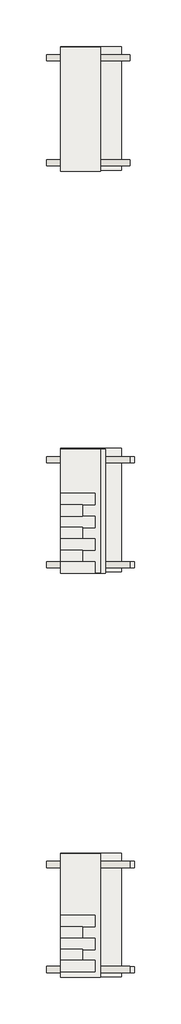
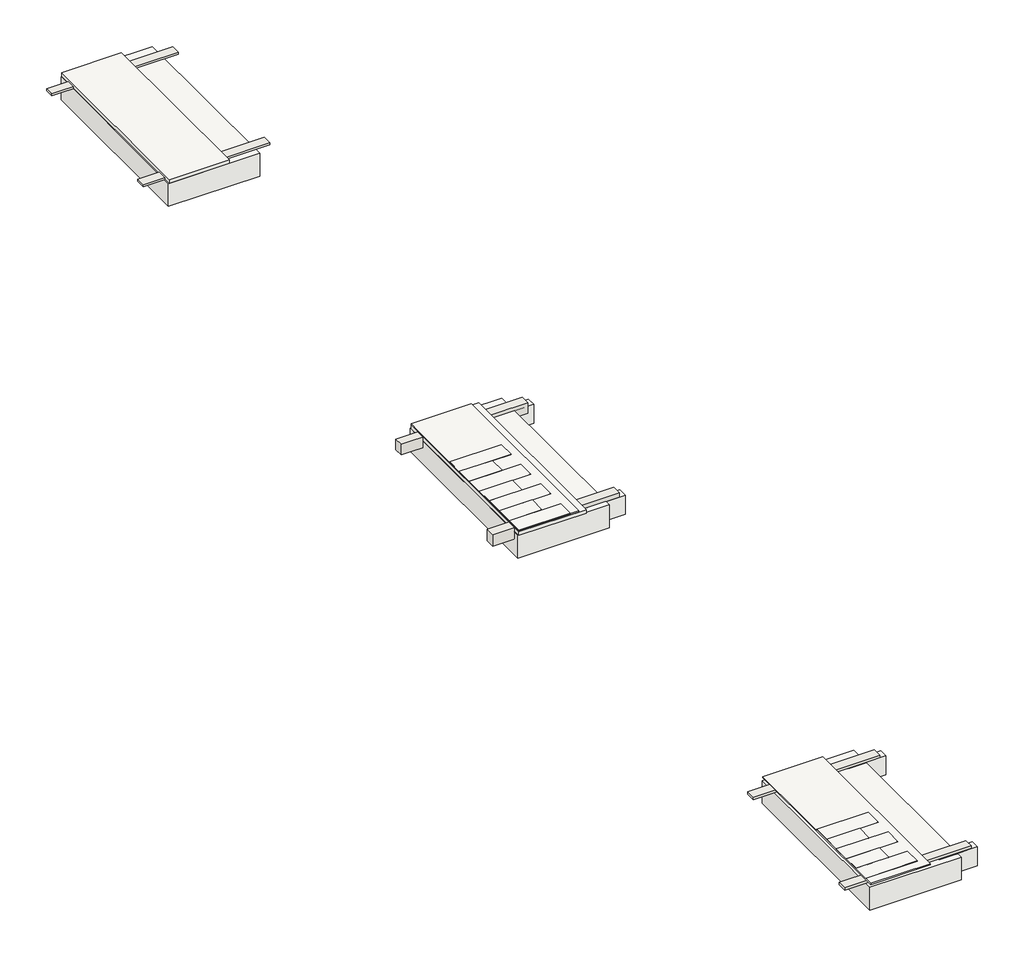
# One storey: 19 slabs, 6 walls, 4 coverings.
"""IFC4 building model written with IfcOpenShell, lengths in millimetres."""

from ifc_helpers import new_model, si_unit, frame, origin, place, context, project, spatial, polyline, outline, extrude, element, save

model = new_model("IFC4")

# Units and contexts
model_context = context("Model", 3, world=origin())
ifc_project = project(units=[si_unit("LENGTHUNIT", "METRE", prefix="MILLI")], contexts=[model_context])

# Site, building, storey
site = spatial("IfcSite", under=ifc_project)
building = spatial("IfcBuilding", under=site)
storey = spatial("IfcBuildingStorey", under=building, Elevation=0.0)

# Coverings
placement = place(None, origin())
element("IfcCovering", 1, at=placement, inside=storey, context=model_context, shape_type="SweptSolid", body=[
    extrude(outline(polyline([(-21506.7749546, -1147.4236855), (-22406.7749546, -1147.4236855), (-22406.7749546, 1657.3048176), (-21506.7749546, 1657.3048176), (-21506.7749546, -1147.4236855)])), frame((0.0, 0.0, 840.0), z_axis=(0.0, 0.0, 1.0), x_axis=(1.0, 0.0, 0.0)), (0.0, 0.0, 1.0), 57.0),
])
element("IfcCovering", 2, at=placement, inside=storey, context=model_context, shape_type="SweptSolid", body=[
    extrude(outline(polyline([(-21506.7749546, -10253.8565694), (-22406.7749546, -10253.8565694), (-22406.7749546, -7449.1280663), (-21506.7749546, -7449.1280663), (-21506.7749546, -10253.8565694)])), frame((0.0, 0.0, 816.7773467), z_axis=(0.0, 0.0, 1.0), x_axis=(1.0, 0.0, 0.0)), (0.0, 0.0, 1.0), 19.0),
])
element("IfcCovering", 3, at=placement, inside=storey, context=model_context, shape_type="SweptSolid", body=[
    extrude(outline(polyline([(-21506.7749546, -19416.693386), (-22406.7749546, -19416.693386), (-22406.7749546, -16611.964883), (-21506.7749546, -16611.964883), (-21506.7749546, -19416.693386)])), frame((0.0, 0.0, 763.0953295), z_axis=(0.0, 0.0, 1.0), x_axis=(1.0, 0.0, 0.0)), (0.0, 0.0, 1.0), 19.0),
])
element("IfcCovering", 4, at=placement, inside=storey, context=model_context, shape_type="SweptSolid", body=[
    extrude(outline(polyline([(-21391.6219224, -10254.9697708), (-22406.7749546, -10254.9697708), (-22406.7749546, -7450.2412677), (-21391.6219224, -7450.2412677), (-21391.6219224, -10254.9697708)])), frame((0.0, 0.0, 760.0), z_axis=(0.0, 0.0, 1.0), x_axis=(1.0, 0.0, 0.0)), (0.0, 0.0, 1.0), 57.0),
])

# Slabs
element("IfcSlab", 5, at=placement, inside=storey, context=model_context, shape_type="SweptSolid", body=[
    extrude(outline(polyline([(-21031.6219224, 1672.338655), (-21031.6219224, -1127.661345), (-22406.7749546, -1127.661345), (-22406.7749546, 1672.338655), (-21031.6219224, 1672.338655)])), frame((0.0, 0.0, 458.0), z_axis=(0.0, 0.0, 1.0), x_axis=(1.0, 0.0, 0.0)), (0.0, 0.0, 1.0), 362.0),
])
element("IfcSlab", 6, at=placement, inside=storey, context=model_context, shape_type="SweptSolid", body=[
    extrude(outline(polyline([(-21031.6219224, -7429.4968101), (-21031.6219224, -10229.4968101), (-22406.7749546, -10229.4968101), (-22406.7749546, -7429.4968101), (-21031.6219224, -7429.4968101)])), frame((0.0, 0.0, 386.4168615), z_axis=(0.0, 0.0, 1.0), x_axis=(1.0, 0.0, 0.0)), (0.0, 0.0, 1.0), 362.0),
])
element("IfcSlab", 7, at=placement, inside=storey, context=model_context, shape_type="SweptSolid", body=[
    extrude(outline(polyline([(-21631.6219224, -9998.2308192), (-21631.6219224, -10256.0447777), (-22406.7749546, -10256.0447777), (-22406.7749546, -9998.2308192), (-21631.6219224, -9998.2308192)])), frame((0.0, 0.0, 838.0), z_axis=(0.0, 0.0, 1.0), x_axis=(1.0, 0.0, 0.0)), (0.0, 0.0, 1.0), 2.0),
])
element("IfcSlab", 8, at=placement, inside=storey, context=model_context, shape_type="SweptSolid", body=[
    extrude(outline(polyline([(-20738.3478009, -7615.5337669), (-20738.3478009, -7755.5337669), (-21313.5008331, -7755.5337669), (-21313.5008331, -7615.5337669), (-20738.3478009, -7615.5337669)])), frame((0.0, 0.0, 445.0), z_axis=(0.0, 0.0, 1.0), x_axis=(1.0, 0.0, 0.0)), (0.0, 0.0, 1.0), 300.0),
])
element("IfcSlab", 9, at=placement, inside=storey, context=model_context, shape_type="SweptSolid", body=[
    extrude(outline(polyline([(-20738.3478009, -9996.1467846), (-20738.3478009, -10136.1467846), (-21313.5008331, -10136.1467846), (-21313.5008331, -9996.1467846), (-20738.3478009, -9996.1467846)])), frame((0.0, 0.0, 445.0), z_axis=(0.0, 0.0, 1.0), x_axis=(1.0, 0.0, 0.0)), (0.0, 0.0, 1.0), 300.0),
])
element("IfcSlab", 10, at=placement, inside=storey, context=model_context, shape_type="SweptSolid", body=[
    extrude(outline(polyline([(-21911.6219224, -9741.3168858), (-21911.6219224, -9999.1308444), (-22406.7749546, -9999.1308444), (-22406.7749546, -9741.3168858), (-21911.6219224, -9741.3168858)])), frame((0.0, 0.0, 838.0), z_axis=(0.0, 0.0, 1.0), x_axis=(1.0, 0.0, 0.0)), (0.0, 0.0, 1.0), 2.0),
])
element("IfcSlab", 11, at=placement, inside=storey, context=model_context, shape_type="SweptSolid", body=[
    extrude(outline(polyline([(-21631.6219224, -9481.2819578), (-21631.6219224, -9739.0959164), (-22406.7749546, -9739.0959164), (-22406.7749546, -9481.2819578), (-21631.6219224, -9481.2819578)])), frame((0.0, 0.0, 838.0), z_axis=(0.0, 0.0, 1.0), x_axis=(1.0, 0.0, 0.0)), (0.0, 0.0, 1.0), 2.0),
])
element("IfcSlab", 12, at=placement, inside=storey, context=model_context, shape_type="SweptSolid", body=[
    extrude(outline(polyline([(-21911.6219224, -9222.4338776), (-21911.6219224, -9480.2478362), (-22406.7749546, -9480.2478362), (-22406.7749546, -9222.4338776), (-21911.6219224, -9222.4338776)])), frame((0.0, 0.0, 837.7215622), z_axis=(0.0, 0.0, 1.0), x_axis=(1.0, 0.0, 0.0)), (0.0, 0.0, 1.0), 2.0),
])
element("IfcSlab", 13, at=placement, inside=storey, context=model_context, shape_type="SweptSolid", body=[
    extrude(outline(polyline([(-21631.6219224, -8965.9999577), (-21631.6219224, -9223.8139162), (-22406.7749546, -9223.8139162), (-22406.7749546, -8965.9999577), (-21631.6219224, -8965.9999577)])), frame((0.0, 0.0, 837.0315429), z_axis=(0.0, 0.0, 1.0), x_axis=(1.0, 0.0, 0.0)), (0.0, 0.0, 1.0), 2.0),
])
element("IfcSlab", 14, at=placement, inside=storey, context=model_context, shape_type="SweptSolid", body=[
    extrude(outline(polyline([(-21031.6219224, -16599.7423431), (-21031.6219224, -19399.7423431), (-22406.7749546, -19399.7423431), (-22406.7749546, -16599.7423431), (-21031.6219224, -16599.7423431)])), frame((0.0, 0.0, 348.7234945), z_axis=(0.0, 0.0, 1.0), x_axis=(1.0, 0.0, 0.0)), (0.0, 0.0, 1.0), 362.0),
])
element("IfcSlab", 15, at=placement, inside=storey, context=model_context, shape_type="SweptSolid", body=[
    extrude(outline(polyline([(-21631.6219224, -19032.5537539), (-21631.6219224, -19290.3677124), (-22406.7749546, -19290.3677124), (-22406.7749546, -19032.5537539), (-21631.6219224, -19032.5537539)])), frame((0.0, 0.0, 790.4818664), z_axis=(0.0, 0.0, 1.0), x_axis=(1.0, 0.0, 0.0)), (0.0, 0.0, 1.0), 2.0),
])
element("IfcSlab", 16, at=placement, inside=storey, context=model_context, shape_type="SweptSolid", body=[
    extrude(outline(polyline([(-20738.3478009, -16786.6869519), (-20738.3478009, -16926.6869519), (-21313.5008331, -16926.6869519), (-21313.5008331, -16786.6869519), (-20738.3478009, -16786.6869519)])), frame((0.0, 0.0, 415.7234945), z_axis=(0.0, 0.0, 1.0), x_axis=(1.0, 0.0, 0.0)), (0.0, 0.0, 1.0), 300.0),
])
element("IfcSlab", 17, at=placement, inside=storey, context=model_context, shape_type="SweptSolid", body=[
    extrude(outline(polyline([(-20738.3478009, -19170.7762766), (-20738.3478009, -19310.7762766), (-21313.5008331, -19310.7762766), (-21313.5008331, -19170.7762766), (-20738.3478009, -19170.7762766)])), frame((0.0, 0.0, 415.7234945), z_axis=(0.0, 0.0, 1.0), x_axis=(1.0, 0.0, 0.0)), (0.0, 0.0, 1.0), 300.0),
])
element("IfcSlab", 18, at=placement, inside=storey, context=model_context, shape_type="SweptSolid", body=[
    extrude(outline(polyline([(-21911.6219224, -18781.7185777), (-21911.6219224, -19039.5325363), (-22406.7749546, -19039.5325363), (-22406.7749546, -18781.7185777), (-21911.6219224, -18781.7185777)])), frame((0.0, 0.0, 790.4818664), z_axis=(0.0, 0.0, 1.0), x_axis=(1.0, 0.0, 0.0)), (0.0, 0.0, 1.0), 2.0),
])
element("IfcSlab", 19, at=placement, inside=storey, context=model_context, shape_type="SweptSolid", body=[
    extrude(outline(polyline([(-21631.6219224, -18528.0918886), (-21631.6219224, -18785.9058472), (-22406.7749546, -18785.9058472), (-22406.7749546, -18528.0918886), (-21631.6219224, -18528.0918886)])), frame((0.0, 0.0, 790.4818664), z_axis=(0.0, 0.0, 1.0), x_axis=(1.0, 0.0, 0.0)), (0.0, 0.0, 1.0), 2.0),
])
element("IfcSlab", 20, at=placement, inside=storey, context=model_context, shape_type="SweptSolid", body=[
    extrude(outline(polyline([(-21911.6219224, -18271.6736865), (-21911.6219224, -18529.4876451), (-22406.7749546, -18529.4876451), (-22406.7749546, -18271.6736865), (-21911.6219224, -18271.6736865)])), frame((0.0, 0.0, 790.4818664), z_axis=(0.0, 0.0, 1.0), x_axis=(1.0, 0.0, 0.0)), (0.0, 0.0, 1.0), 2.0),
])
element("IfcSlab", 21, at=placement, inside=storey, context=model_context, shape_type="SweptSolid", body=[
    extrude(outline(polyline([(-21631.6219224, -18012.4639715), (-21631.6219224, -18270.27793), (-22406.7749546, -18270.27793), (-22406.7749546, -18012.4639715), (-21631.6219224, -18012.4639715)])), frame((0.0, 0.0, 790.4818664), z_axis=(0.0, 0.0, 1.0), x_axis=(1.0, 0.0, 0.0)), (0.0, 0.0, 1.0), 2.0),
])
element("IfcSlab", 22, at=placement, inside=storey, context=model_context, shape_type="SweptSolid", body=[
    extrude(outline(polyline([(-21911.6219224, -8708.1859991), (-21911.6219224, -8965.9999577), (-22406.7749546, -8965.9999577), (-22406.7749546, -8708.1859991), (-21911.6219224, -8708.1859991)])), frame((0.0, 0.0, 837.7215622), z_axis=(0.0, 0.0, 1.0), x_axis=(1.0, 0.0, 0.0)), (0.0, 0.0, 1.0), 2.0),
])
element("IfcSlab", 23, at=placement, inside=storey, context=model_context, shape_type="SweptSolid", body=[
    extrude(outline(polyline([(-21631.6219224, -8450.3720405), (-21631.6219224, -8708.1859991), (-22406.7749546, -8708.1859991), (-22406.7749546, -8450.3720405), (-21631.6219224, -8450.3720405)])), frame((0.0, 0.0, 837.0315429), z_axis=(0.0, 0.0, 1.0), x_axis=(1.0, 0.0, 0.0)), (0.0, 0.0, 1.0), 2.0),
])

# Walls
element("IfcWall", 24, at=placement, inside=storey, context=model_context, shape_type="SweptSolid", body=[
    extrude(outline(polyline([(-22731.6219224, -893.6952785), (-20831.6219224, -893.6952785), (-20831.6219224, -1033.6952785), (-22731.6219224, -1033.6952785), (-22731.6219224, -893.6952785)])), frame((0.0, 0.0, 826.7773467), z_axis=(0.0, 0.0, 1.0), x_axis=(1.0, 0.0, 0.0)), (0.0, 0.0, 1.0), 33.2226533),
])
element("IfcWall", 25, at=placement, inside=storey, context=model_context, shape_type="SweptSolid", body=[
    extrude(outline(polyline([(-22731.6219224, 1486.3047215), (-20831.6219224, 1486.3047215), (-20831.6219224, 1346.3047215), (-22731.6219224, 1346.3047215), (-22731.6219224, 1486.3047215)])), frame((0.0, 0.0, 826.7773467), z_axis=(0.0, 0.0, 1.0), x_axis=(1.0, 0.0, 0.0)), (0.0, 0.0, 1.0), 33.2226533),
])
element("IfcWall", 26, at=placement, inside=storey, context=model_context, shape_type="SweptSolid", body=[
    extrude(outline(polyline([(-22731.6219224, -9995.5307436), (-20831.6219224, -9995.5307436), (-20831.6219224, -10135.5307436), (-22731.6219224, -10135.5307436), (-22731.6219224, -9995.5307436)])), frame((0.0, 0.0, 633.8716135), z_axis=(0.0, 0.0, 1.0), x_axis=(1.0, 0.0, 0.0)), (0.0, 0.0, 1.0), 181.1283865),
])
element("IfcWall", 27, at=placement, inside=storey, context=model_context, shape_type="SweptSolid", body=[
    extrude(outline(polyline([(-22731.6219224, -7615.5307436), (-20831.6219224, -7615.5307436), (-20831.6219224, -7755.5307436), (-22731.6219224, -7755.5307436), (-22731.6219224, -7615.5307436)])), frame((0.0, 0.0, 639.8274968), z_axis=(0.0, 0.0, 1.0), x_axis=(1.0, 0.0, 0.0)), (0.0, 0.0, 1.0), 165.1725032),
])
element("IfcWall", 28, at=placement, inside=storey, context=model_context, shape_type="SweptSolid", body=[
    extrude(outline(polyline([(-22731.6219224, -19165.7762766), (-20831.6219224, -19165.7762766), (-20831.6219224, -19305.7762766), (-22731.6219224, -19305.7762766), (-22731.6219224, -19165.7762766)])), frame((0.0, 0.0, 720.0), z_axis=(0.0, 0.0, 1.0), x_axis=(1.0, 0.0, 0.0)), (0.0, 0.0, 1.0), 40.0),
])
element("IfcWall", 29, at=placement, inside=storey, context=model_context, shape_type="SweptSolid", body=[
    extrude(outline(polyline([(-22731.6219224, -16785.7762766), (-20831.6219224, -16785.7762766), (-20831.6219224, -16925.7762766), (-22731.6219224, -16925.7762766), (-22731.6219224, -16785.7762766)])), frame((0.0, 0.0, 717.5008412), z_axis=(0.0, 0.0, 1.0), x_axis=(1.0, 0.0, 0.0)), (0.0, 0.0, 1.0), 42.4991588),
])

save(model, "model.ifc")
